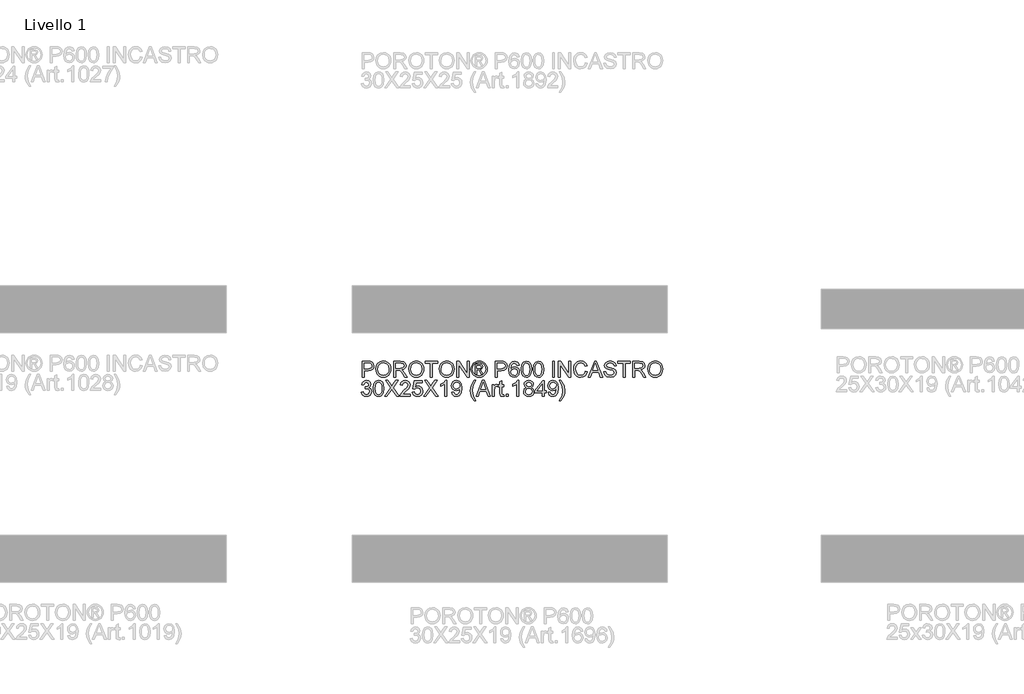
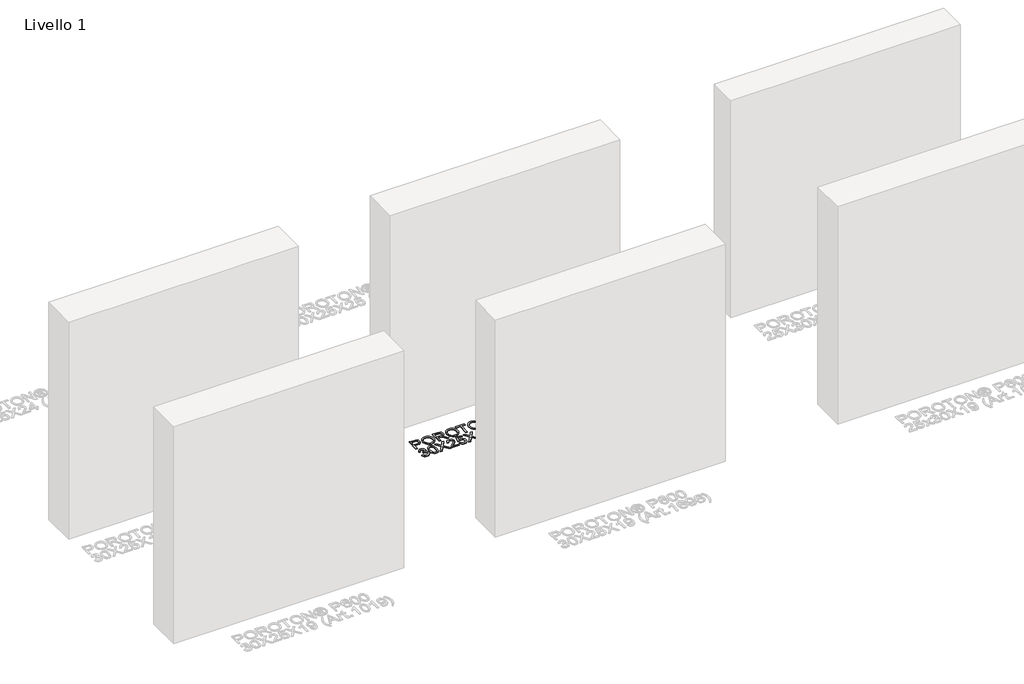
# One storey, part 5 of 11: 1 proxy.
"""IFC4 building model written with IfcOpenShell, lengths in millimetres."""

from ifc_helpers import new_model, si_unit, origin, origin_with_axes, place, context, project, spatial, polyline, outline, extrude, element, save

model = new_model("IFC4")

# Units and contexts
model_context = context("Model", 3, world=origin())
ifc_project = project(units=[si_unit("LENGTHUNIT", "METRE", prefix="MILLI")], contexts=[model_context])

# Site, building, storey
site = spatial("IfcSite", under=ifc_project)
building = spatial("IfcBuilding", under=site)
storey = spatial("IfcBuildingStorey", under=building, Name="Livello 1", Elevation=0.0)

# Proxy
placement = place(None, origin())
element("IfcBuildingElementProxy", 1, Name="100", ObjectType="100", at=placement, inside=storey, context=model_context, shape_type="SweptSolid", body=[
    extrude(outline(polyline([(-2222.4815346, 2443.2318777), (-2222.4815346, 2543.6881878), (-2185.2518767, 2543.6881878), (-2170.2422913, 2542.7316947), (-2158.0408718, 2538.0350679), (-2150.1314089, 2528.3229832), (-2147.139302, 2514.6255102), (-2149.1595873, 2502.7858414), (-2155.2204432, 2492.9204725), (-2166.5542743, 2486.2618084), (-2184.3934854, 2484.0422537), (-2209.9244958, 2484.0422537), (-2209.9244958, 2443.2318777), (-2222.4815346, 2443.2318777)]), holes=[polyline([(-2209.9244958, 2496.5992925), (-2183.6577214, 2496.5992925), (-2165.1655198, 2501.2100801), (-2161.0636355, 2506.7589669), (-2159.6963408, 2514.1840518), (-2162.9214396, 2524.5828496), (-2171.3949882, 2530.2727578), (-2183.952027, 2531.1311491), (-2209.9244958, 2531.1311491), (-2209.9244958, 2496.5992925)])]), origin_with_axes(), (0.0, 0.0, 1.0), 5.0),
    extrude(outline(polyline([(-2134.5822632, 2492.1356576), (-2131.2345371, 2514.3495987), (-2121.1913586, 2531.1556745), (-2105.8568108, 2541.7322819), (-2086.6349765, 2545.2578177), (-2073.4586697, 2543.6023487), (-2061.6435263, 2538.6359418), (-2051.8333398, 2530.7080848), (-2044.6719036, 2520.1682656), (-2040.2941079, 2507.5253877), (-2038.8348426, 2493.2883545), (-2040.3707499, 2478.8612489), (-2044.9784719, 2466.0405614), (-2052.4035569, 2455.4823481), (-2062.391553, 2447.8426654), (-2074.1055289, 2443.2073522), (-2086.7085529, 2441.6622479), (-2100.0871948, 2443.3698334), (-2111.9697833, 2448.4925902), (-2121.7554443, 2456.5676), (-2128.8433041, 2467.1319447), (-2134.5822632, 2492.1356576)]), holes=[polyline([(-2122.0252245, 2492.0130303), (-2119.5144298, 2476.2983377), (-2111.982046, 2464.3237788), (-2100.6604776, 2456.7454097), (-2086.7821293, 2454.2192866), (-2072.701446, 2456.7699351), (-2061.3614835, 2464.4218806), (-2053.8842819, 2476.7643216), (-2051.3918814, 2493.3864564), (-2055.6593125, 2514.1104754), (-2068.1305122, 2527.8324739), (-2086.5614001, 2532.7007789), (-2100.0688007, 2530.3555312), (-2111.5528503, 2523.3197881), (-2119.4071309, 2510.8026032), (-2122.0252245, 2492.0130303)])]), origin_with_axes(), (0.0, 0.0, 1.0), 5.0),
    extrude(outline(polyline([(-2021.5689143, 2443.2318777), (-2021.5689143, 2543.6881878), (-1978.2814662, 2543.6881878), (-1958.1828465, 2540.9781238), (-1947.1954376, 2531.3886665), (-1943.087422, 2516.1951401), (-1944.7888762, 2506.2991144), (-1949.8932389, 2498.0953459), (-1958.5537942, 2492.0804753), (-1970.9238263, 2488.7511432), (-1963.7869156, 2483.3800661), (-1953.6088471, 2470.4551453), (-1936.8579536, 2443.2318777), (-1951.450606, 2443.2318777), (-1964.5226796, 2464.0539986), (-1973.9649841, 2477.8373107), (-1980.5991228, 2484.348822), (-1986.5710738, 2486.740055), (-1993.8551373, 2487.1815134), (-2009.0118755, 2487.1815134), (-2009.0118755, 2443.2318777), (-2021.5689143, 2443.2318777)]), holes=[polyline([(-2009.0118755, 2499.7385522), (-1980.9056911, 2499.7385522), (-1966.570556, 2501.5166485), (-1958.4281012, 2507.2065567), (-1955.6444608, 2515.7291562), (-1960.9542242, 2526.7901415), (-1977.7419059, 2531.1311491), (-2009.0118755, 2531.1311491), (-2009.0118755, 2499.7385522)])]), origin_with_axes(), (0.0, 0.0, 1.0), 5.0),
    extrude(outline(polyline([(-1925.8214937, 2492.1356576), (-1922.4737675, 2514.3495987), (-1912.4305891, 2531.1556745), (-1897.0960412, 2541.7322819), (-1877.874207, 2545.2578177), (-1864.6979002, 2543.6023487), (-1852.8827568, 2538.6359418), (-1843.0725702, 2530.7080848), (-1835.9111341, 2520.1682656), (-1831.5333383, 2507.5253877), (-1830.0740731, 2493.2883545), (-1831.6099804, 2478.8612489), (-1836.2177024, 2466.0405614), (-1843.6427873, 2455.4823481), (-1853.6307835, 2447.8426654), (-1865.3447594, 2443.2073522), (-1877.9477834, 2441.6622479), (-1891.3264253, 2443.3698334), (-1903.2090137, 2448.4925902), (-1912.9946748, 2456.5676), (-1920.0825346, 2467.1319447), (-1925.8214937, 2492.1356576)]), holes=[polyline([(-1913.2644549, 2492.0130303), (-1910.7536603, 2476.2983377), (-1903.2212765, 2464.3237788), (-1891.8997081, 2456.7454097), (-1878.0213598, 2454.2192866), (-1863.9406764, 2456.7699351), (-1852.6007139, 2464.4218806), (-1845.1235124, 2476.7643216), (-1842.6311119, 2493.3864564), (-1846.898543, 2514.1104754), (-1859.3697426, 2527.8324739), (-1877.8006306, 2532.7007789), (-1891.3080312, 2530.3555312), (-1902.7920808, 2523.3197881), (-1910.6463614, 2510.8026032), (-1913.2644549, 2492.0130303)])]), origin_with_axes(), (0.0, 0.0, 1.0), 5.0),
    extrude(outline(polyline([(-1787.6940672, 2443.2318777), (-1787.6940672, 2531.1311491), (-1820.656294, 2531.1311491), (-1820.656294, 2543.6881878), (-1742.1748017, 2543.6881878), (-1742.1748017, 2531.1311491), (-1775.1370285, 2531.1311491), (-1775.1370285, 2443.2318777), (-1787.6940672, 2443.2318777)])), origin_with_axes(), (0.0, 0.0, 1.0), 5.0),
    extrude(outline(polyline([(-1732.7570226, 2492.1356576), (-1729.4092965, 2514.3495987), (-1719.366118, 2531.1556745), (-1704.0315702, 2541.7322819), (-1684.8097359, 2545.2578177), (-1671.6334291, 2543.6023487), (-1659.8182857, 2538.6359418), (-1650.0080992, 2530.7080848), (-1642.846663, 2520.1682656), (-1638.4688673, 2507.5253877), (-1637.009602, 2493.2883545), (-1638.5455093, 2478.8612489), (-1643.1532313, 2466.0405614), (-1650.5783163, 2455.4823481), (-1660.5663124, 2447.8426654), (-1672.2802883, 2443.2073522), (-1684.8833123, 2441.6622479), (-1698.2619542, 2443.3698334), (-1710.1445427, 2448.4925902), (-1719.9302037, 2456.5676), (-1727.0180635, 2467.1319447), (-1732.7570226, 2492.1356576)]), holes=[polyline([(-1720.1999839, 2492.0130303), (-1717.6891892, 2476.2983377), (-1710.1568054, 2464.3237788), (-1698.835237, 2456.7454097), (-1684.9568887, 2454.2192866), (-1670.8762054, 2456.7699351), (-1659.5362429, 2464.4218806), (-1652.0590413, 2476.7643216), (-1649.5666408, 2493.3864564), (-1653.8340719, 2514.1104754), (-1666.3052716, 2527.8324739), (-1684.7361595, 2532.7007789), (-1698.2435601, 2530.3555312), (-1709.7276097, 2523.3197881), (-1717.5818903, 2510.8026032), (-1720.1999839, 2492.0130303)])]), origin_with_axes(), (0.0, 0.0, 1.0), 5.0),
    extrude(outline(polyline([(-1619.7436737, 2443.2318777), (-1619.7436737, 2543.6881878), (-1606.3037182, 2543.6881878), (-1553.8192202, 2464.1030496), (-1553.8192202, 2543.6881878), (-1541.2621814, 2543.6881878), (-1541.2621814, 2443.2318777), (-1554.702137, 2443.2318777), (-1607.1866349, 2522.8415415), (-1607.1866349, 2443.2318777), (-1619.7436737, 2443.2318777)])), origin_with_axes(), (0.0, 0.0, 1.0), 5.0),
    extrude(outline(polyline([(-1478.4524621, 2545.2578177), (-1465.5581982, 2543.5839546), (-1452.9705026, 2538.5623654), (-1441.9125829, 2530.4260419), (-1433.6076469, 2519.4079762), (-1428.4113137, 2506.6853905), (-1426.6792026, 2493.4355073), (-1428.3867882, 2480.3021201), (-1433.509545, 2467.6837676), (-1441.7133135, 2456.7055558), (-1452.6639342, 2448.4925902), (-1465.2730896, 2443.3698334), (-1478.4524621, 2441.6622479), (-1491.6134405, 2443.3698334), (-1504.2164645, 2448.4925902), (-1515.1762823, 2456.7055558), (-1523.4076419, 2467.6837676), (-1528.5579898, 2480.3021201), (-1530.2747725, 2493.4355073), (-1528.5334644, 2506.6853905), (-1523.30954, 2519.4079762), (-1514.9770128, 2530.4260419), (-1503.9098962, 2538.5623654), (-1491.3283319, 2543.5839546), (-1478.4524621, 2545.2578177)]), holes=[polyline([(-1478.4524621, 2535.8400386), (-1499.274583, 2530.3585969), (-1508.3030203, 2523.6968671), (-1515.130297, 2514.6745612), (-1520.8569934, 2493.4355073), (-1515.2406616, 2472.3803945), (-1499.5198377, 2456.6963587), (-1478.4524621, 2451.0800269), (-1457.3728238, 2456.6963587), (-1441.688788, 2472.3803945), (-1436.0969817, 2493.4355073), (-1441.7868899, 2514.6745612), (-1448.5957725, 2523.6968671), (-1457.6426039, 2530.3585969), (-1478.4524621, 2535.8400386)])]), origin_with_axes(), (0.0, 0.0, 1.0), 5.0),
    extrude(outline(polyline([(-1502.0214353, 2462.0674359), (-1502.0214353, 2524.8526297), (-1481.7388746, 2524.8526297), (-1466.6802382, 2523.1235843), (-1459.2612847, 2517.0903196), (-1456.5021697, 2507.9300579), (-1461.2601102, 2496.0106813), (-1473.8661999, 2490.3207731), (-1468.9611066, 2486.9853097), (-1460.4017189, 2474.4527964), (-1453.36291, 2462.0674359), (-1463.9579115, 2462.0674359), (-1469.4761414, 2472.0247752), (-1478.7222422, 2486.4457494), (-1486.7420697, 2488.7511432), (-1492.6036562, 2488.7511432), (-1492.6036562, 2462.0674359), (-1502.0214353, 2462.0674359)]), holes=[polyline([(-1492.6036562, 2498.1689223), (-1480.6842795, 2498.1689223), (-1469.034683, 2500.5601553), (-1465.9199488, 2506.8999883), (-1467.4160022, 2511.4617251), (-1471.5730688, 2514.453832), (-1481.444569, 2515.4348506), (-1492.6036562, 2515.4348506), (-1492.6036562, 2498.1689223)])]), origin_with_axes(), (0.0, 0.0, 1.0), 5.0),
    extrude(outline(polyline([(-1376.4510476, 2443.2318777), (-1376.4510476, 2543.6881878), (-1339.2213897, 2543.6881878), (-1324.2118042, 2542.7316947), (-1312.0103847, 2538.0350679), (-1304.1009218, 2528.3229832), (-1301.108815, 2514.6255102), (-1303.1291002, 2502.7858414), (-1309.1899561, 2492.9204725), (-1320.5237872, 2486.2618084), (-1338.3629983, 2484.0422537), (-1363.8940088, 2484.0422537), (-1363.8940088, 2443.2318777), (-1376.4510476, 2443.2318777)]), holes=[polyline([(-1363.8940088, 2496.5992925), (-1337.6272343, 2496.5992925), (-1319.1350327, 2501.2100801), (-1315.0331485, 2506.7589669), (-1313.6658537, 2514.1840518), (-1316.8909525, 2524.5828496), (-1325.3645012, 2530.2727578), (-1337.9215399, 2531.1311491), (-1363.8940088, 2531.1311491), (-1363.8940088, 2496.5992925)])]), origin_with_axes(), (0.0, 0.0, 1.0), 5.0),
    extrude(outline(polyline([(-1224.1969525, 2517.0044805), (-1236.7539913, 2515.4348506), (-1241.5119317, 2525.9072247), (-1254.093496, 2531.1311491), (-1265.4242614, 2528.0899913), (-1273.9959119, 2516.6733867), (-1277.5643673, 2494.2938986), (-1266.4911192, 2504.3125516), (-1252.7691208, 2507.5867014), (-1241.1685752, 2505.3487526), (-1231.4319651, 2498.6349062), (-1224.8284833, 2488.3771299), (-1222.6273226, 2475.5073914), (-1226.7721265, 2458.1801494), (-1238.1764683, 2445.9174163), (-1254.6330562, 2441.6622479), (-1268.8792865, 2444.4826765), (-1280.2253804, 2452.9439624), (-1287.6473996, 2467.8799714), (-1290.121406, 2490.1245694), (-1287.3745538, 2515.1344137), (-1279.1339971, 2532.2347951), (-1267.8829394, 2540.8248397), (-1253.308681, 2543.6881878), (-1242.2906153, 2541.9162229), (-1233.4675788, 2536.6003281), (-1227.2871613, 2528.1574363), (-1224.1969525, 2517.0044805)]), holes=[polyline([(-1277.5643673, 2475.7035951), (-1274.6580995, 2464.8265508), (-1266.9325776, 2456.9293507), (-1255.6140749, 2454.2192866), (-1247.3275329, 2455.6233696), (-1240.8129559, 2459.8356184), (-1236.59151, 2466.4574943), (-1235.1843614, 2475.0904585), (-1236.5731159, 2483.3770004), (-1240.7393795, 2489.6953737), (-1247.3643211, 2493.6960904), (-1256.1291097, 2495.0296626), (-1271.3226361, 2489.6953737), (-1276.0039345, 2483.5302846), (-1277.5643673, 2475.7035951)])]), origin_with_axes(), (0.0, 0.0, 1.0), 5.0),
    extrude(outline(polyline([(-1211.6399137, 2492.6506924), (-1207.948831, 2521.5539545), (-1196.9859476, 2538.2190089), (-1178.677687, 2543.6881878), (-1164.0114581, 2540.4508263), (-1153.8824405, 2531.1188863), (-1147.9963286, 2516.2564537), (-1145.7154602, 2492.6506924), (-1149.3697547, 2463.8700576), (-1160.2958499, 2447.168215), (-1168.5272096, 2443.0387397), (-1178.677687, 2441.6622479), (-1191.7252351, 2444.0534808), (-1201.6335235, 2451.2271797), (-1209.1383162, 2468.2171965), (-1211.6399137, 2492.6506924)]), holes=[polyline([(-1199.082875, 2492.6752179), (-1197.611347, 2472.9230204), (-1193.196763, 2461.4910874), (-1186.6239381, 2456.0372368), (-1178.677687, 2454.2192866), (-1170.7314359, 2456.0433682), (-1164.1586109, 2461.5156129), (-1159.7440269, 2472.9536772), (-1158.272499, 2492.6752179), (-1159.694976, 2511.9828912), (-1163.9624072, 2523.503729), (-1170.5229694, 2529.2242941), (-1178.8248398, 2531.1311491), (-1186.6852517, 2529.4511546), (-1193.0005593, 2524.4111713), (-1197.562296, 2512.1729636), (-1199.082875, 2492.6752179)])]), origin_with_axes(), (0.0, 0.0, 1.0), 5.0),
    extrude(outline(polyline([(-1134.7280513, 2492.6506924), (-1131.0369686, 2521.5539545), (-1120.0740851, 2538.2190089), (-1101.7658245, 2543.6881878), (-1087.0995956, 2540.4508263), (-1076.970578, 2531.1188863), (-1071.0844661, 2516.2564537), (-1068.8035977, 2492.6506924), (-1072.4578922, 2463.8700576), (-1083.3839875, 2447.168215), (-1091.6153471, 2443.0387397), (-1101.7658245, 2441.6622479), (-1114.8133726, 2444.0534808), (-1124.721661, 2451.2271797), (-1132.2264537, 2468.2171965), (-1134.7280513, 2492.6506924)]), holes=[polyline([(-1122.1710125, 2492.6752179), (-1120.6994845, 2472.9230204), (-1116.2849006, 2461.4910874), (-1109.7120756, 2456.0372368), (-1101.7658245, 2454.2192866), (-1093.8195734, 2456.0433682), (-1087.2467484, 2461.5156129), (-1082.8321645, 2472.9536772), (-1081.3606365, 2492.6752179), (-1082.7831135, 2511.9828912), (-1087.0505447, 2523.503729), (-1093.6111069, 2529.2242941), (-1101.9129773, 2531.1311491), (-1109.7733893, 2529.4511546), (-1116.0886968, 2524.4111713), (-1120.6504336, 2512.1729636), (-1122.1710125, 2492.6752179)])]), origin_with_axes(), (0.0, 0.0, 1.0), 5.0),
    extrude(outline(polyline([(-1012.2969233, 2443.2318777), (-1012.2969233, 2543.6881878), (-999.7398845, 2543.6881878), (-999.7398845, 2443.2318777), (-1012.2969233, 2443.2318777)])), origin_with_axes(), (0.0, 0.0, 1.0), 5.0),
    extrude(outline(polyline([(-974.625807, 2443.2318777), (-974.625807, 2543.6881878), (-961.1858514, 2543.6881878), (-908.7013534, 2464.1030496), (-908.7013534, 2543.6881878), (-896.1443147, 2543.6881878), (-896.1443147, 2443.2318777), (-909.5842702, 2443.2318777), (-962.0687682, 2522.8415415), (-962.0687682, 2443.2318777), (-974.625807, 2443.2318777)])), origin_with_axes(), (0.0, 0.0, 1.0), 5.0),
    extrude(outline(polyline([(-803.5361537, 2478.9409567), (-790.979115, 2475.7035951), (-796.7732564, 2461.0710888), (-805.866073, 2450.3810511), (-817.8099752, 2443.8419487), (-832.157373, 2441.6622479), (-846.7224343, 2443.3115855), (-858.2892574, 2448.2595983), (-867.1552134, 2456.3346081), (-873.6176738, 2467.3649366), (-878.8783864, 2494.2203222), (-877.39153, 2508.868157), (-872.9309608, 2521.5171663), (-865.7296707, 2531.7657455), (-856.0206517, 2539.2122902), (-844.5059453, 2543.7464358), (-831.8875928, 2545.2578177), (-818.1196092, 2543.3019118), (-806.7367271, 2537.4341939), (-798.0945659, 2528.0164149), (-792.5487448, 2515.4103252), (-805.1057836, 2512.4182183), (-815.4064795, 2527.8569993), (-832.3781022, 2532.7007789), (-852.0230007, 2527.3297018), (-863.1207742, 2512.9087276), (-866.3213476, 2494.2448477), (-862.532163, 2472.6133864), (-850.7354137, 2458.7932861), (-833.4081718, 2454.2192866), (-822.9266006, 2455.7766537), (-814.1924689, 2460.4487551), (-807.5981841, 2468.1865397), (-803.5361537, 2478.9409567)])), origin_with_axes(), (0.0, 0.0, 1.0), 5.0),
    extrude(outline(polyline([(-785.4118341, 2443.2318777), (-745.3126966, 2543.6881878), (-734.6195933, 2543.6881878), (-694.5204558, 2443.2318777), (-707.7887331, 2443.2318777), (-719.2911768, 2474.6244746), (-760.6656386, 2474.6244746), (-772.1435568, 2443.2318777), (-785.4118341, 2443.2318777)]), holes=[polyline([(-756.0548509, 2487.1815134), (-723.8774391, 2487.1815134), (-732.9273361, 2511.878658), (-739.966145, 2531.1311491), (-746.2201389, 2514.036899), (-756.0548509, 2487.1815134)])]), origin_with_axes(), (0.0, 0.0, 1.0), 5.0),
    extrude(outline(polyline([(-685.8139153, 2477.7637343), (-673.2568765, 2477.7637343), (-669.2101746, 2465.1944328), (-659.3264116, 2457.2481817), (-644.2677753, 2454.2192866), (-631.1466508, 2456.5124177), (-622.6731022, 2462.8154626), (-619.8894618, 2471.2399603), (-621.9741264, 2479.0758468), (-630.5089887, 2484.7780177), (-648.7927238, 2489.5727464), (-668.4744106, 2495.7654266), (-679.1552512, 2505.1096293), (-682.6746556, 2517.5930917), (-678.3213853, 2531.8055994), (-665.604931, 2541.8365151), (-646.9901021, 2545.2578177), (-627.1244743, 2541.6770996), (-613.8807225, 2531.1556745), (-608.9020528, 2515.4348506), (-621.4590916, 2515.4348506), (-623.7644854, 2522.9273806), (-628.5714768, 2528.3352459), (-646.4995927, 2532.7007789), (-664.4767596, 2528.3842969), (-670.1176168, 2517.9609737), (-666.1199658, 2509.2544331), (-645.6166759, 2502.2401497), (-623.3966034, 2495.9371049), (-611.2442349, 2485.7590363), (-607.332423, 2471.5587913), (-611.8328461, 2456.5369432), (-624.7822923, 2445.5740597), (-643.777266, 2441.6622479), (-666.2058049, 2445.8806281), (-680.3937872, 2458.5848196), (-685.8139153, 2477.7637343)])), origin_with_axes(), (0.0, 0.0, 1.0), 5.0),
    extrude(outline(polyline([(-563.3827873, 2443.2318777), (-563.3827873, 2531.1311491), (-596.3450141, 2531.1311491), (-596.3450141, 2543.6881878), (-517.8635218, 2543.6881878), (-517.8635218, 2531.1311491), (-550.8257485, 2531.1311491), (-550.8257485, 2443.2318777), (-563.3827873, 2443.2318777)])), origin_with_axes(), (0.0, 0.0, 1.0), 5.0),
    extrude(outline(polyline([(-503.7368531, 2443.2318777), (-503.7368531, 2543.6881878), (-460.449405, 2543.6881878), (-440.3507854, 2540.9781238), (-429.3633764, 2531.3886665), (-425.2553608, 2516.1951401), (-426.9568151, 2506.2991144), (-432.0611777, 2498.0953459), (-440.721733, 2492.0804753), (-453.0917651, 2488.7511432), (-445.9548544, 2483.3800661), (-435.7767859, 2470.4551453), (-419.0258924, 2443.2318777), (-433.6185449, 2443.2318777), (-446.6906184, 2464.0539986), (-456.132923, 2477.8373107), (-462.7670616, 2484.348822), (-468.7390127, 2486.740055), (-476.0230762, 2487.1815134), (-491.1798144, 2487.1815134), (-491.1798144, 2443.2318777), (-503.7368531, 2443.2318777)]), holes=[polyline([(-491.1798144, 2499.7385522), (-463.0736299, 2499.7385522), (-448.7384949, 2501.5166485), (-440.59604, 2507.2065567), (-437.8123996, 2515.7291562), (-443.1221631, 2526.7901415), (-459.9098448, 2531.1311491), (-491.1798144, 2531.1311491), (-491.1798144, 2499.7385522)])]), origin_with_axes(), (0.0, 0.0, 1.0), 5.0),
    extrude(outline(polyline([(-407.9894325, 2492.1356576), (-404.6417064, 2514.3495987), (-394.5985279, 2531.1556745), (-379.2639801, 2541.7322819), (-360.0421458, 2545.2578177), (-346.865839, 2543.6023487), (-335.0506956, 2538.6359418), (-325.2405091, 2530.7080848), (-318.0790729, 2520.1682656), (-313.7012772, 2507.5253877), (-312.2420119, 2493.2883545), (-313.7779192, 2478.8612489), (-318.3856412, 2466.0405614), (-325.8107262, 2455.4823481), (-335.7987223, 2447.8426654), (-347.5126982, 2443.2073522), (-360.1157222, 2441.6622479), (-373.4943641, 2443.3698334), (-385.3769526, 2448.4925902), (-395.1626136, 2456.5676), (-402.2504734, 2467.1319447), (-407.9894325, 2492.1356576)]), holes=[polyline([(-395.4323938, 2492.0130303), (-392.9215991, 2476.2983377), (-385.3892153, 2464.3237788), (-374.0676469, 2456.7454097), (-360.1892986, 2454.2192866), (-346.1086153, 2456.7699351), (-334.7686528, 2464.4218806), (-327.2914512, 2476.7643216), (-324.7990507, 2493.3864564), (-329.0664818, 2514.1104754), (-341.5376815, 2527.8324739), (-359.9685694, 2532.7007789), (-373.47597, 2530.3555312), (-384.9600196, 2523.3197881), (-392.8143002, 2510.8026032), (-395.4323938, 2492.0130303)])]), origin_with_axes(), (0.0, 0.0, 1.0), 5.0),
    extrude(outline(polyline([(-2227.1904241, 2347.9407672), (-2214.6333854, 2349.5103971), (-2207.7049411, 2336.2911707), (-2194.7432322, 2332.2444688), (-2186.1347935, 2333.636289), (-2179.4883921, 2337.8117496), (-2173.8230094, 2351.5950617), (-2179.4393412, 2364.5812962), (-2193.7131626, 2369.7193814), (-2202.517805, 2368.3459552), (-2201.1198534, 2380.902994), (-2199.1087652, 2380.7558412), (-2184.8594692, 2384.3610848), (-2180.1137915, 2388.9350842), (-2178.5318989, 2395.4465955), (-2183.1181611, 2405.2690448), (-2194.9394359, 2409.1563312), (-2206.9078635, 2405.2322566), (-2213.0637555, 2393.4600328), (-2225.6207943, 2395.0296626), (-2221.9235802, 2406.3052458), (-2215.3446239, 2414.7236121), (-2206.3437778, 2419.9659305), (-2195.3808943, 2421.71337), (-2180.2364188, 2418.267542), (-2169.6414174, 2408.8497629), (-2165.9748601, 2396.1823595), (-2169.4574764, 2384.6063394), (-2179.7581722, 2376.2922063), (-2166.072962, 2367.7082931), (-2161.2659706, 2351.3743325), (-2163.6694663, 2339.1361248), (-2170.8799534, 2328.9090054), (-2181.7631291, 2321.9928238), (-2195.1846906, 2319.68743), (-2207.3247964, 2321.6555987), (-2217.2085593, 2327.5601047), (-2224.0818213, 2336.5916077), (-2227.1904241, 2347.9407672)])), origin_with_axes(), (0.0, 0.0, 1.0), 5.0),
    extrude(outline(polyline([(-2150.2785617, 2370.6758745), (-2146.587479, 2399.5791366), (-2135.6245955, 2416.244191), (-2117.3163349, 2421.71337), (-2102.650106, 2418.4760084), (-2092.5210884, 2409.1440685), (-2086.6349765, 2394.2816359), (-2084.3541082, 2370.6758745), (-2088.0084026, 2341.8952398), (-2098.9344979, 2325.1933972), (-2107.1658575, 2321.0639218), (-2117.3163349, 2319.68743), (-2130.363883, 2322.078663), (-2140.2721714, 2329.2523619), (-2147.7769641, 2346.2423787), (-2150.2785617, 2370.6758745)]), holes=[polyline([(-2137.7215229, 2370.7004), (-2136.2499949, 2350.9482025), (-2131.835411, 2339.5162695), (-2125.262586, 2334.062419), (-2117.3163349, 2332.2444688), (-2109.3700838, 2334.0685503), (-2102.7972588, 2339.540795), (-2098.3826749, 2350.9788594), (-2096.9111469, 2370.7004), (-2098.333624, 2390.0080734), (-2102.6010551, 2401.5289112), (-2109.1616174, 2407.2494762), (-2117.4634877, 2409.1563312), (-2125.3238997, 2407.4763368), (-2131.6392073, 2402.4363535), (-2136.200944, 2390.1981458), (-2137.7215229, 2370.7004)])]), origin_with_axes(), (0.0, 0.0, 1.0), 5.0),
    extrude(outline(polyline([(-2079.6452186, 2321.2570599), (-2040.9195073, 2375.9979007), (-2073.3666992, 2421.71337), (-2058.3080629, 2421.71337), (-2040.0365905, 2395.9861558), (-2033.8806984, 2385.9552401), (-2026.6702113, 2396.1578341), (-2008.5949426, 2421.71337), (-1993.3155771, 2421.71337), (-2025.7627691, 2375.8507479), (-1987.0370577, 2321.2570599), (-2002.095694, 2321.2570599), (-2027.8964846, 2357.6528519), (-2033.2675618, 2365.2066955), (-2039.1781991, 2356.9170879), (-2064.3658531, 2321.2570599), (-2079.6452186, 2321.2570599)])), origin_with_axes(), (0.0, 0.0, 1.0), 5.0),
    extrude(outline(polyline([(-1914.8340848, 2333.8140986), (-1914.8340848, 2321.2570599), (-1980.7585383, 2321.2570599), (-1979.4096377, 2329.9145495), (-1971.7822176, 2343.2441404), (-1956.0613937, 2357.8000047), (-1934.3808814, 2378.7202275), (-1928.9607534, 2392.944998), (-1934.0743131, 2404.4597044), (-1947.4284295, 2409.1563312), (-1961.3466317, 2404.570069), (-1966.6318697, 2391.8904029), (-1979.1889085, 2393.4600328), (-1976.144685, 2405.60627), (-1969.5626629, 2414.4783574), (-1959.7861989, 2419.9046169), (-1947.1586494, 2421.71337), (-1934.4391294, 2419.7022818), (-1924.6810595, 2413.669017), (-1918.4730508, 2404.6559082), (-1916.4037146, 2393.7052874), (-1918.6355321, 2381.7981735), (-1926.0544856, 2369.4863894), (-1944.0439152, 2352.2817748), (-1958.4894149, 2340.2029826), (-1964.1547976, 2333.8140986), (-1914.8340848, 2333.8140986)])), origin_with_axes(), (0.0, 0.0, 1.0), 5.0),
    extrude(outline(polyline([(-1902.277046, 2347.9407672), (-1889.7200072, 2349.5103971), (-1883.3924369, 2336.5732136), (-1870.2713124, 2332.2444688), (-1861.2704663, 2333.7497193), (-1854.525963, 2338.2654708), (-1850.3137142, 2345.2705571), (-1848.9096312, 2354.2438121), (-1854.1703438, 2369.1552956), (-1860.7768913, 2373.2571799), (-1870.0751087, 2374.6244746), (-1881.0993058, 2372.4417081), (-1888.1503774, 2366.7763254), (-1900.7074162, 2368.3459552), (-1889.7200072, 2420.1437402), (-1841.061482, 2420.1437402), (-1841.061482, 2407.5867014), (-1879.5664642, 2407.5867014), (-1884.9375413, 2379.9219754), (-1875.967352, 2385.3666289), (-1866.567967, 2387.1815134), (-1854.835597, 2384.9313019), (-1845.0959212, 2378.1806672), (-1838.5384247, 2367.8922341), (-1836.3525925, 2355.028627), (-1838.3207611, 2342.4715882), (-1844.2252672, 2331.729434), (-1855.5315072, 2322.697931), (-1870.3203634, 2319.68743), (-1882.6536072, 2321.6218762), (-1892.4791222, 2327.4252146), (-1899.2144284, 2336.4229951), (-1902.277046, 2347.9407672)])), origin_with_axes(), (0.0, 0.0, 1.0), 5.0),
    extrude(outline(polyline([(-1831.6437029, 2321.2570599), (-1792.9179916, 2375.9979007), (-1825.3651835, 2421.71337), (-1810.3065472, 2421.71337), (-1792.0350748, 2395.9861558), (-1785.8791827, 2385.9552401), (-1778.6686956, 2396.1578341), (-1760.5934269, 2421.71337), (-1745.3140614, 2421.71337), (-1777.7612534, 2375.8507479), (-1739.035542, 2321.2570599), (-1754.0941783, 2321.2570599), (-1779.8949689, 2357.6528519), (-1785.2660461, 2365.2066955), (-1791.1766835, 2356.9170879), (-1816.3643374, 2321.2570599), (-1831.6437029, 2321.2570599)])), origin_with_axes(), (0.0, 0.0, 1.0), 5.0),
    extrude(outline(polyline([(-1684.0984974, 2321.2570599), (-1696.6555362, 2321.2570599), (-1696.6555362, 2399.5423484), (-1708.5503873, 2391.0687998), (-1721.7696137, 2384.7289668), (-1721.7696137, 2396.5992925), (-1703.3632512, 2408.3469908), (-1692.1919013, 2421.71337), (-1684.0984974, 2421.71337), (-1684.0984974, 2321.2570599)])), origin_with_axes(), (0.0, 0.0, 1.0), 5.0),
    extrude(outline(polyline([(-1652.7059005, 2346.3711374), (-1640.1488617, 2347.9407672), (-1634.5080044, 2335.9600769), (-1623.8149011, 2332.2444688), (-1613.6490953, 2334.6357017), (-1606.7574393, 2341.0245857), (-1602.6494237, 2351.9384183), (-1600.8345392, 2366.5065453), (-1600.9081156, 2368.9590919), (-1610.951294, 2359.443211), (-1624.7223434, 2355.7889165), (-1636.1726705, 2358.0207339), (-1645.7038798, 2364.7161862), (-1652.1326177, 2375.0598016), (-1654.2755303, 2388.2361084), (-1652.0283845, 2401.8477423), (-1645.2869469, 2412.5163201), (-1635.160995, 2419.4141075), (-1622.7603061, 2421.71337), (-1604.8689784, 2416.4649202), (-1592.5571943, 2401.5043857), (-1588.3510768, 2373.3982013), (-1592.5449315, 2342.9007839), (-1597.7596588, 2332.9097221), (-1605.0161312, 2325.6225929), (-1614.0016489, 2321.1712207), (-1624.4035123, 2319.68743), (-1635.1395352, 2321.4379352), (-1643.7050543, 2326.6894507), (-1649.6953995, 2335.1108827), (-1652.7059005, 2346.3711374)]), holes=[polyline([(-1600.9081156, 2388.530414), (-1602.2631476, 2397.0407509), (-1606.3282436, 2403.5890504), (-1612.6374198, 2407.764511), (-1620.7246924, 2409.1563312), (-1629.1124019, 2407.6572121), (-1635.8323796, 2403.1598547), (-1640.2469636, 2396.2773957), (-1641.7184916, 2387.6229718), (-1640.3266713, 2379.8637274), (-1636.1512107, 2373.7047696), (-1629.5967798, 2369.6856588), (-1621.0680489, 2368.3459552), (-1606.585761, 2373.7047696), (-1602.3275269, 2380.0905879), (-1600.9081156, 2388.530414)])]), origin_with_axes(), (0.0, 0.0, 1.0), 5.0),
    extrude(outline(polyline([(-1509.8695845, 2293.0037226), (-1527.6995985, 2322.4588077), (-1533.1626461, 2339.6388969), (-1534.983662, 2357.4321227), (-1529.5390085, 2387.9663283), (-1509.8695845, 2421.71337), (-1500.4518054, 2421.71337), (-1512.1995038, 2401.8232168), (-1519.2628381, 2382.5462003), (-1522.4266233, 2357.3585463), (-1516.9329188, 2325.1688717), (-1500.4518054, 2293.0037226), (-1509.8695845, 2293.0037226)])), origin_with_axes(), (0.0, 0.0, 1.0), 5.0),
    extrude(outline(polyline([(-1498.0237842, 2321.2570599), (-1457.9246468, 2421.71337), (-1447.2315434, 2421.71337), (-1407.132406, 2321.2570599), (-1420.4006833, 2321.2570599), (-1431.903127, 2352.6496568), (-1473.2775887, 2352.6496568), (-1484.7555069, 2321.2570599), (-1498.0237842, 2321.2570599)]), holes=[polyline([(-1468.666801, 2365.2066955), (-1436.4893892, 2365.2066955), (-1445.5392863, 2389.9038402), (-1452.5780951, 2409.1563312), (-1458.832089, 2392.0620812), (-1468.666801, 2365.2066955)])]), origin_with_axes(), (0.0, 0.0, 1.0), 5.0),
    extrude(outline(polyline([(-1395.2866057, 2321.2570599), (-1395.2866057, 2395.0296626), (-1384.2991968, 2395.0296626), (-1384.2991968, 2384.1158301), (-1376.5000985, 2394.1712713), (-1368.6519493, 2396.5992925), (-1356.0458596, 2392.7242688), (-1360.2397143, 2381.4670797), (-1369.0688822, 2384.0422537), (-1376.1690047, 2381.5651816), (-1380.6939532, 2374.698051), (-1382.7295669, 2360.0318221), (-1382.7295669, 2321.2570599), (-1395.2866057, 2321.2570599)])), origin_with_axes(), (0.0, 0.0, 1.0), 5.0),
    extrude(outline(polyline([(-1321.514003, 2331.729434), (-1319.9443731, 2320.8891779), (-1329.3376267, 2319.68743), (-1339.8590518, 2321.7720946), (-1345.1075016, 2327.2412736), (-1346.6280805, 2341.4905696), (-1346.6280805, 2382.4726239), (-1356.0458596, 2382.4726239), (-1356.0458596, 2395.0296626), (-1346.6280805, 2395.0296626), (-1346.6280805, 2412.9577785), (-1334.0710417, 2420.3399439), (-1334.0710417, 2395.0296626), (-1321.514003, 2395.0296626), (-1321.514003, 2382.4726239), (-1334.0710417, 2382.4726239), (-1334.0710417, 2341.8584516), (-1333.4088541, 2335.3837285), (-1331.2628758, 2333.0905974), (-1326.9831819, 2332.2444688), (-1321.514003, 2331.729434)])), origin_with_axes(), (0.0, 0.0, 1.0), 5.0),
    extrude(outline(polyline([(-1305.8177045, 2321.2570599), (-1305.8177045, 2333.8140986), (-1293.2606657, 2333.8140986), (-1293.2606657, 2321.2570599), (-1305.8177045, 2321.2570599)])), origin_with_axes(), (0.0, 0.0, 1.0), 5.0),
    extrude(outline(polyline([(-1225.7665823, 2321.2570599), (-1238.3236211, 2321.2570599), (-1238.3236211, 2399.5423484), (-1250.2184723, 2391.0687998), (-1263.4376986, 2384.7289668), (-1263.4376986, 2396.5992925), (-1245.0313362, 2408.3469908), (-1233.8599862, 2421.71337), (-1225.7665823, 2421.71337), (-1225.7665823, 2321.2570599)])), origin_with_axes(), (0.0, 0.0, 1.0), 5.0),
    extrude(outline(polyline([(-1177.6476174, 2376.5865119), (-1189.0887474, 2384.3856102), (-1192.8043556, 2396.5257161), (-1190.7810046, 2406.342034), (-1184.7109517, 2414.453832), (-1175.2747785, 2419.8984855), (-1163.1530668, 2421.71337), (-1150.9577786, 2419.8555659), (-1141.3989781, 2414.2821537), (-1135.2185606, 2406.041597), (-1133.1584214, 2396.1823595), (-1136.8249786, 2384.348822), (-1147.9472776, 2376.5865119), (-1134.5931612, 2366.7395372), (-1130.0191617, 2350.4914157), (-1132.2877674, 2338.4862), (-1139.0935843, 2328.5656488), (-1149.6027466, 2321.9069847), (-1162.9813885, 2319.68743), (-1176.3600304, 2321.9161818), (-1186.8691927, 2328.602437), (-1193.6750096, 2338.6180243), (-1195.9436153, 2350.8347723), (-1191.1856748, 2367.4630384), (-1177.6476174, 2376.5865119)]), holes=[polyline([(-1180.2473168, 2396.1578341), (-1175.7959447, 2386.2985966), (-1162.8342357, 2382.4726239), (-1150.1300441, 2386.2740711), (-1145.7154602, 2395.5937483), (-1150.2771969, 2405.2445194), (-1162.9813885, 2409.1563312), (-1175.7223683, 2405.3303585), (-1180.2473168, 2396.1578341)]), polyline([(-1183.3865765, 2351.2762307), (-1181.2896491, 2341.8216634), (-1173.8706956, 2334.7460663), (-1162.8832866, 2332.2444688), (-1154.3361616, 2333.5596469), (-1147.9227522, 2337.5051813), (-1142.5762005, 2350.8838232), (-1148.0944304, 2364.5199825), (-1154.6549927, 2368.5666844), (-1163.3002196, 2369.9155851), (-1171.7277829, 2368.5850785), (-1178.076813, 2364.5935589), (-1183.3865765, 2351.2762307)])]), origin_with_axes(), (0.0, 0.0, 1.0), 5.0),
    extrude(outline(polyline([(-1078.2213768, 2321.2570599), (-1078.2213768, 2344.8015075), (-1123.7406423, 2344.8015075), (-1123.7406423, 2357.3585463), (-1075.0821171, 2420.1437402), (-1065.664338, 2420.1437402), (-1065.664338, 2357.3585463), (-1053.1072993, 2357.3585463), (-1053.1072993, 2344.8015075), (-1065.664338, 2344.8015075), (-1065.664338, 2321.2570599), (-1078.2213768, 2321.2570599)]), holes=[polyline([(-1078.2213768, 2357.3585463), (-1078.2213768, 2396.1578341), (-1108.2895985, 2357.3585463), (-1078.2213768, 2357.3585463)])]), origin_with_axes(), (0.0, 0.0, 1.0), 5.0),
    extrude(outline(polyline([(-1040.5502605, 2346.3711374), (-1027.9932217, 2347.9407672), (-1022.3523645, 2335.9600769), (-1011.6592611, 2332.2444688), (-1001.4934553, 2334.6357017), (-994.6017993, 2341.0245857), (-990.4937837, 2351.9384183), (-988.6788992, 2366.5065453), (-988.7524756, 2368.9590919), (-998.795654, 2359.443211), (-1012.5667034, 2355.7889165), (-1024.0170305, 2358.0207339), (-1033.5482399, 2364.7161862), (-1039.9769777, 2375.0598016), (-1042.1198903, 2388.2361084), (-1039.8727445, 2401.8477423), (-1033.1313069, 2412.5163201), (-1023.005355, 2419.4141075), (-1010.6046661, 2421.71337), (-992.7133384, 2416.4649202), (-980.4015543, 2401.5043857), (-976.1954368, 2373.3982013), (-980.3892916, 2342.9007839), (-985.6040188, 2332.9097221), (-992.8604912, 2325.6225929), (-1001.8460089, 2321.1712207), (-1012.2478723, 2319.68743), (-1022.9838952, 2321.4379352), (-1031.5494144, 2326.6894507), (-1037.5397595, 2335.1108827), (-1040.5502605, 2346.3711374)]), holes=[polyline([(-988.7524756, 2388.530414), (-990.1075076, 2397.0407509), (-994.1726036, 2403.5890504), (-1000.4817799, 2407.764511), (-1008.5690524, 2409.1563312), (-1016.9567619, 2407.6572121), (-1023.6767397, 2403.1598547), (-1028.0913236, 2396.2773957), (-1029.5628516, 2387.6229718), (-1028.1710314, 2379.8637274), (-1023.9955707, 2373.7047696), (-1017.4411398, 2369.6856588), (-1008.9124089, 2368.3459552), (-994.430121, 2373.7047696), (-990.1718869, 2380.0905879), (-988.7524756, 2388.530414)])]), origin_with_axes(), (0.0, 0.0, 1.0), 5.0),
    extrude(outline(polyline([(-958.9295085, 2293.0037226), (-968.3472876, 2293.0037226), (-951.8661742, 2325.1688717), (-946.3724697, 2357.3585463), (-949.5362549, 2382.3254711), (-956.5260128, 2401.6270131), (-968.3472876, 2421.71337), (-958.9295085, 2421.71337), (-939.2600845, 2387.9663283), (-933.815431, 2357.4321227), (-935.6456439, 2339.6388969), (-941.1362827, 2322.4588077), (-958.9295085, 2293.0037226)])), origin_with_axes(), (0.0, 0.0, 1.0), 5.0),
])

save(model, "model.ifc")
